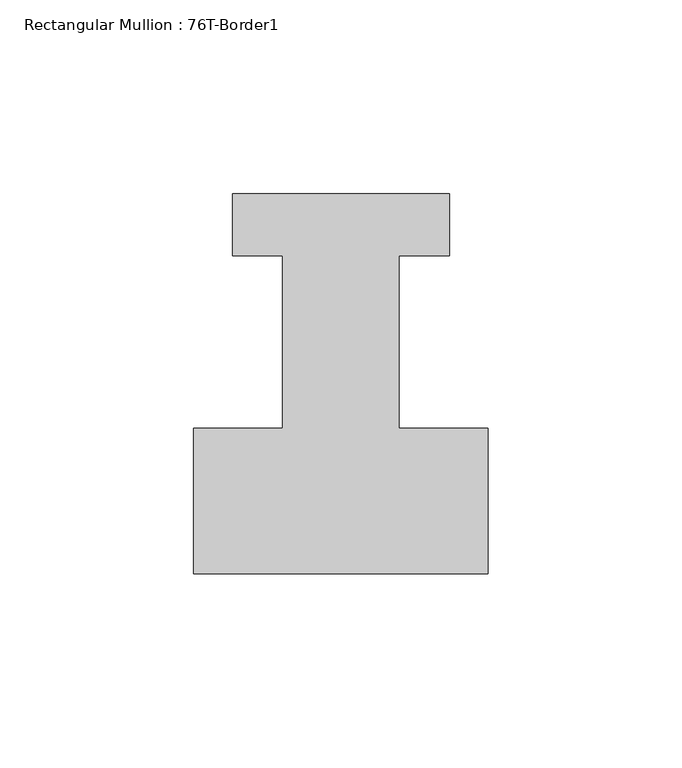
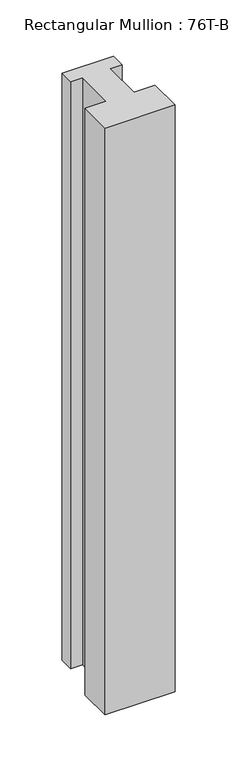
"""IFC4 building model written with IfcOpenShell, lengths in millimetres: member geometry, Rectangular Mullion : 76T-Border1."""

import ifcopenshell
import ifcopenshell.guid

model = None  # the IFC model being written
_history = None  # IfcOwnerHistory: only IFC2X3 demands one
_inside = {}  # id of a spatial element -> (the spatial element, [elements in it])
_under = {}  # id of a project, library or spatial element -> (it, [spatial elements below it])
_declared = {}  # id of a project -> (the project, [libraries it declares])
_typed = {}  # id of a type object -> (the type object, [elements of that type])
_made_of = {}  # id of a material, layer set ... -> (it, [elements and type objects made of it])


def new_model(schema):
    """Start an empty IFC model of exactly this schema.

    Asked for "IFC4X3", IfcOpenShell would pick the latest addendum, in which some entities
    have other attributes; the version numbers below select the first issue.
    IFC2X3 requires an IfcOwnerHistory on every rooted entity: one is made here for all.
    """
    global model, _history
    if schema == "IFC4X3":
        model = ifcopenshell.file(schema_version=(4, 3, 0, 0))
    else:
        model = ifcopenshell.file(schema=schema)
    _inside.clear()
    _under.clear()
    _declared.clear()
    _typed.clear()
    _made_of.clear()
    _history = None
    if model.schema == "IFC2X3":
        org = make("IfcOrganization", Name="unknown")
        user = make(
            "IfcPersonAndOrganization",
            ThePerson=make("IfcPerson", FamilyName="unknown"),
            TheOrganization=org,
        )
        app = make(
            "IfcApplication",
            ApplicationDeveloper=org,
            Version="unknown",
            ApplicationFullName="unknown",
            ApplicationIdentifier="unknown",
        )
        _history = make(
            "IfcOwnerHistory",
            OwningUser=user,
            OwningApplication=app,
            ChangeAction="ADDED",
            CreationDate=0,
        )
    return model


def make(cls, **values):
    """One entity of the class cls with the attributes given. An attribute that is None is left unset."""
    return model.create_entity(
        cls, **{name: value for name, value in values.items() if value is not None}
    )


def rooted(cls, **values):
    """An entity with a GlobalId (a new one), such as an element, a storey or a relation."""
    return make(cls, GlobalId=ifcopenshell.guid.new(), OwnerHistory=_history, **values)


def si_unit(unit_type, name, prefix=None):
    """IfcSIUnit, for example si_unit("LENGTHUNIT", "METRE", prefix="MILLI")."""
    return make("IfcSIUnit", UnitType=unit_type, Prefix=prefix, Name=name)


def assignment(units):
    """IfcUnitAssignment: the units of a project."""
    return None if units is None else make("IfcUnitAssignment", Units=units)


def point(xyz):
    """IfcCartesianPoint."""
    return None if xyz is None else make("IfcCartesianPoint", Coordinates=xyz)


def direction(xyz):
    """IfcDirection."""
    return None if xyz is None else make("IfcDirection", DirectionRatios=xyz)


def frame(location, z_axis=None, x_axis=None):
    """IfcAxis2Placement3D, a coordinate frame: its origin and axes. An axis left out is left unset."""
    return make(
        "IfcAxis2Placement3D",
        Location=point(location),
        Axis=direction(z_axis),
        RefDirection=direction(x_axis),
    )


def origin():
    """The frame at (0, 0, 0) with its axes left unset."""
    return frame((0.0, 0.0, 0.0))


def place(relative_to, where):
    """IfcLocalPlacement: puts the frame where relative to a parent placement (None: the world)."""
    return make(
        "IfcLocalPlacement", PlacementRelTo=relative_to, RelativePlacement=where
    )


def context(
    kind, dimensions, precision=None, world=None, true_north=None, identifier=None
):
    """IfcGeometricRepresentationContext, for example the 3D "Model" context."""
    return make(
        "IfcGeometricRepresentationContext",
        ContextIdentifier=identifier,
        ContextType=kind,
        CoordinateSpaceDimension=dimensions,
        Precision=precision,
        WorldCoordinateSystem=world,
        TrueNorth=true_north,
    )


def project(units=None, contexts=None):
    """IfcProject with its units and contexts."""
    return rooted(
        "IfcProject",
        Name="project",
        RepresentationContexts=contexts,
        UnitsInContext=assignment(units),
    )


def spatial(cls, under=None, at=None, **own):
    """A site, building, storey or space (cls), placed at a placement, below another one or the project."""
    s = rooted(cls, ObjectPlacement=at, **own)
    if under is not None:
        _under.setdefault(under.id(), (under, []))[1].append(s)
    return s


def polyline(points):
    """IfcPolyline through the points."""
    return make("IfcPolyline", Points=[point(p) for p in points])


def outline(outer, holes=None, kind="AREA"):
    """IfcArbitraryClosedProfileDef: a profile drawn as a closed curve; with holes, ...WithVoids."""
    if holes is None:
        return make("IfcArbitraryClosedProfileDef", ProfileType=kind, OuterCurve=outer)
    return make(
        "IfcArbitraryProfileDefWithVoids",
        ProfileType=kind,
        OuterCurve=outer,
        InnerCurves=holes,
    )


def extrude(swept, where, along, depth):
    """IfcExtrudedAreaSolid: the profile swept, set in the frame where, extruded along a direction by depth."""
    return make(
        "IfcExtrudedAreaSolid",
        SweptArea=swept,
        Position=where,
        ExtrudedDirection=direction(along),
        Depth=depth,
    )


def shape(context_of_items, identifier, shape_type, items):
    """IfcShapeRepresentation: the items that make up one representation, for example the "Body"."""
    return make(
        "IfcShapeRepresentation",
        ContextOfItems=context_of_items,
        RepresentationIdentifier=identifier,
        RepresentationType=shape_type,
        Items=items,
    )


def source(mapping_origin, context_of_items, identifier, shape_type, items):
    """IfcRepresentationMap: a shape defined once, which mapped items show again and again."""
    return make(
        "IfcRepresentationMap",
        MappingOrigin=mapping_origin,
        MappedRepresentation=shape(context_of_items, identifier, shape_type, items),
    )


def transform(
    local_origin,
    x_axis=None,
    y_axis=None,
    z_axis=None,
    scale=None,
    scale2=None,
    scale3=None,
    uniform=True,
):
    """IfcCartesianTransformationOperator3D, or its non-uniform kind. x_axis, y_axis, z_axis: its Axis1, 2, 3."""
    if uniform:
        return make(
            "IfcCartesianTransformationOperator3D",
            Axis1=direction(x_axis),
            Axis2=direction(y_axis),
            LocalOrigin=point(local_origin),
            Scale=scale,
            Axis3=direction(z_axis),
        )
    return make(
        "IfcCartesianTransformationOperator3DnonUniform",
        Axis1=direction(x_axis),
        Axis2=direction(y_axis),
        LocalOrigin=point(local_origin),
        Scale=scale,
        Axis3=direction(z_axis),
        Scale2=scale2,
        Scale3=scale3,
    )


def mapped(mapping_source, mapping_target):
    """IfcMappedItem: shows the shape of a source again, moved by a transform."""
    return make(
        "IfcMappedItem", MappingSource=mapping_source, MappingTarget=mapping_target
    )


def made_of(thing, what):
    """Note that an element or type object is made of a material, layer set ...; save() writes the relation."""
    if what is not None:
        _made_of.setdefault(what.id(), (what, []))[1].append(thing)
    return thing


def element(
    cls,
    number,
    at=None,
    inside=None,
    cuts=None,
    type_object=None,
    material=None,
    context=None,
    identifier="Body",
    shape_type=None,
    held_by="IfcProductDefinitionShape",
    body=None,
    shapes=None,
    **own,
):
    """One element of the class cls, such as IfcWall. Its Tag is "e" and its number.

    at: its placement. inside: the storey or other place that contains it. cuts: it is an
    opening in that element (IfcRelVoidsElement). A single representation is given by context,
    identifier, shape_type and body (its items); several are given by shapes. held_by: the class
    of the entity that holds the representations. save() writes the other relations.
    """
    e = rooted(cls, Tag="e%d" % number, ObjectPlacement=at, **own)
    if body is not None:
        shapes = [shape(context, identifier, shape_type, body)]
    if shapes is not None:
        e.Representation = make(held_by, Representations=shapes)
    if inside is not None:
        _inside.setdefault(inside.id(), (inside, []))[1].append(e)
    if cuts is not None:
        rooted(
            "IfcRelVoidsElement", RelatingBuildingElement=cuts, RelatedOpeningElement=e
        )
    if type_object is not None:
        _typed.setdefault(type_object.id(), (type_object, []))[1].append(e)
    return made_of(e, material)


def aggregate(whole, parts):
    """IfcRelAggregates: a whole, such as a stair, and the parts it consists of."""
    return rooted("IfcRelAggregates", RelatingObject=whole, RelatedObjects=parts)


def save(model, path):
    """Write the relations noted so far, then the file.

    IfcRelAggregates (storeys below a building ...), IfcRelContainedInSpatialStructure (elements
    in a storey), IfcRelDefinesByType, IfcRelAssociatesMaterial and IfcRelDeclares: one each for
    every whole, place, type object, material and project.
    """
    for whole, parts in _under.values():
        aggregate(whole, parts)
    for where, things in _inside.values():
        rooted(
            "IfcRelContainedInSpatialStructure",
            RelatedElements=things,
            RelatingStructure=where,
        )
    for kind, things in _typed.values():
        rooted("IfcRelDefinesByType", RelatedObjects=things, RelatingType=kind)
    for what, things in _made_of.values():
        rooted("IfcRelAssociatesMaterial", RelatedObjects=things, RelatingMaterial=what)
    for by, libraries in _declared.values():
        rooted("IfcRelDeclares", RelatingContext=by, RelatedDefinitions=libraries)
    model.write(path)


def rectangular_mullion_76t_border1_22096df2(model_context):
    return source(origin(), model_context, "Body", "SweptSolid", [
        extrude(outline(polyline([(-76.0, -38.0), (-76.0, -0.5), (-53.0, -0.5), (-53.0, 44.0), (-66.0, 44.0), (-66.0, 60.0), (-10.0, 60.0), (-10.0, 44.0), (-23.0, 44.0), (-23.0, -0.5), (0.0, -0.5), (0.0, -38.0), (-76.0, -38.0)])), frame((0.0, 0.0, -674.0), z_axis=(0.0, 0.0, 1.0), x_axis=(1.0, 0.0, 0.0)), (0.0, 0.0, 1.0), 674.0),
    ])


if __name__ == "__main__":
    model = new_model("IFC4")
    model_context = context("Model", 3, world=origin())
    ifc_project = project(units=[si_unit("LENGTHUNIT", "METRE", prefix="MILLI")], contexts=[model_context])
    site = spatial("IfcSite", under=ifc_project)
    building = spatial("IfcBuilding", under=site)
    placement = place(None, origin())
    rectangular_mullion_76t_border1_shape = rectangular_mullion_76t_border1_22096df2(model_context)
    element("IfcMember", 1, ObjectType="Rectangular Mullion : 76T-Border1", at=placement, inside=building, context=model_context, shape_type="MappedRepresentation", body=[
        mapped(rectangular_mullion_76t_border1_shape, transform((0.0, 0.0, 0.0), x_axis=(1.0, 0.0, 0.0), y_axis=(0.0, 1.0, 0.0), z_axis=(0.0, 0.0, 1.0))),
    ])
    save(model, "model.ifc")
